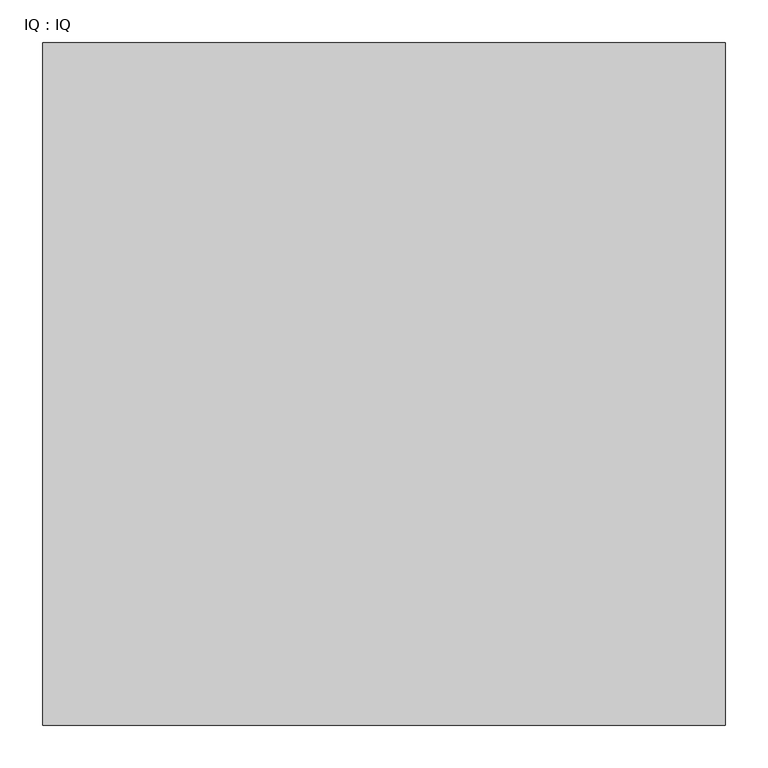
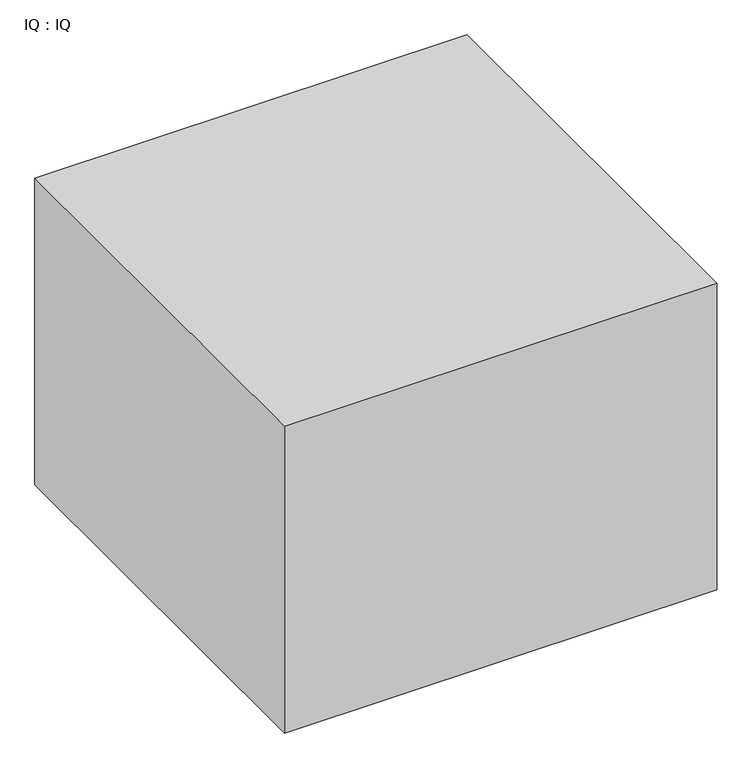
"""IFC4 building model written with IfcOpenShell, lengths in millimetres: proxy geometry, IQ : IQ."""

from ifc_helpers import new_model, si_unit, origin, origin_with_axes, place, context, project, spatial, polyline, outline, extrude, source, transform, mapped, element, save


def iq_iq_0a212544(model_context):
    return source(origin(), model_context, "Body", "SweptSolid", [
        extrude(outline(polyline([(800.0, 800.0), (800.0, 0.0), (0.0, 0.0), (0.0, 800.0), (800.0, 800.0)])), origin_with_axes(), (0.0, 0.0, 1.0), 600.0),
    ])


if __name__ == "__main__":
    model = new_model("IFC4")
    model_context = context("Model", 3, world=origin())
    ifc_project = project(units=[si_unit("LENGTHUNIT", "METRE", prefix="MILLI")], contexts=[model_context])
    site = spatial("IfcSite", under=ifc_project)
    building = spatial("IfcBuilding", under=site)
    placement = place(None, origin())
    iq_iq_shape = iq_iq_0a212544(model_context)
    element("IfcBuildingElementProxy", 1, Name="IQ : IQ", ObjectType="IQ : IQ", at=placement, inside=building, context=model_context, shape_type="MappedRepresentation", body=[
        mapped(iq_iq_shape, transform((0.0, 0.0, 0.0), x_axis=(1.0, 0.0, 0.0), y_axis=(0.0, 1.0, 0.0), z_axis=(0.0, 0.0, 1.0))),
    ])
    save(model, "model.ifc")
